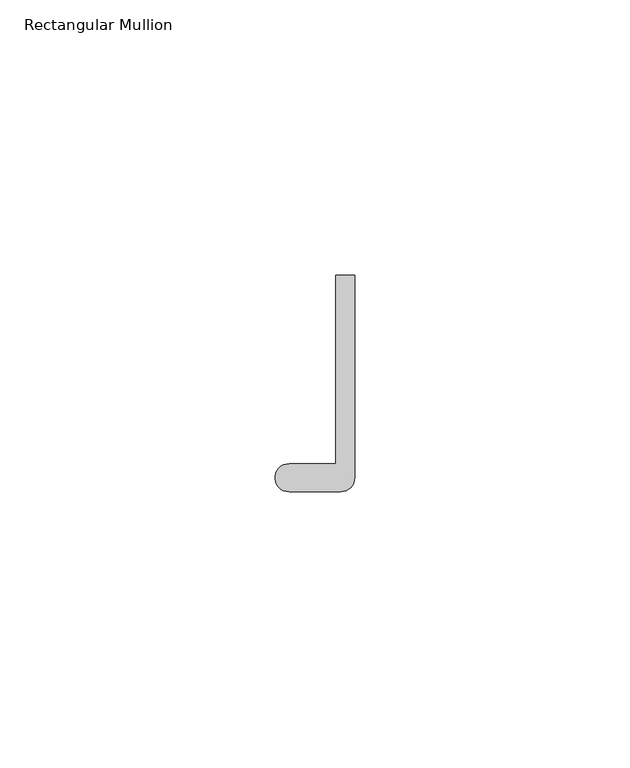
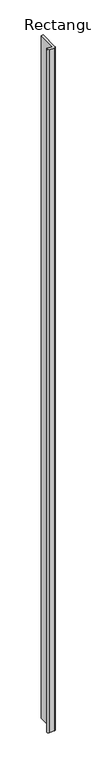
"""IFC4 building model written with IfcOpenShell, lengths in millimetres: member geometry, Rectangular Mullion."""

from ifc_helpers import new_model, si_unit, point, frame, frame_2d, origin, place, context, project, spatial, polyline, circle_curve, trimmed, segment, composite_curve, outline, extrude, source, transform, mapped, element, save


def rectangular_mullion_59d29c64(model_context):
    return source(origin(), model_context, "Body", "SweptSolid", [
        extrude(outline(composite_curve([segment(polyline([(-1.651, -33.918525), (-1.651, 0.396875), (1.778, 0.396875), (1.778, -36.458525)]), True, "CONTINUOUS"), segment(trimmed(circle_curve(frame_2d((-0.762, -36.458525)), 2.54), [point((1.778, -36.458525))], [point((-0.762, -38.998525))], False, "CARTESIAN"), True, "CONTINUOUS"), segment(polyline([(-0.762, -38.998525), (-10.16, -38.998525)]), True, "CONTINUOUS"), segment(trimmed(circle_curve(frame_2d((-10.16, -36.458525)), 2.54), [point((-10.16, -38.998525))], [point((-10.16, -33.918525))], False, "CARTESIAN"), True, "CONTINUOUS"), segment(polyline([(-10.16, -33.918525), (-1.651, -33.918525)]), True, "CONTINUOUS")], self_intersect=False)), frame((0.0, 0.0, -1285.875), z_axis=(0.0, 0.0, 1.0), x_axis=(1.0, 0.0, 0.0)), (0.0, 0.0, 1.0), 1285.875),
    ])


if __name__ == "__main__":
    model = new_model("IFC4")
    model_context = context("Model", 3, world=origin())
    ifc_project = project(units=[si_unit("LENGTHUNIT", "METRE", prefix="MILLI")], contexts=[model_context])
    site = spatial("IfcSite", under=ifc_project)
    building = spatial("IfcBuilding", under=site)
    placement = place(None, origin())
    rectangular_mullion_shape = rectangular_mullion_59d29c64(model_context)
    element("IfcMember", 1, ObjectType="Rectangular Mullion", at=placement, inside=building, context=model_context, shape_type="MappedRepresentation", body=[
        mapped(rectangular_mullion_shape, transform((0.0, 0.0, 0.0), x_axis=(1.0, 0.0, 0.0), y_axis=(0.0, 1.0, 0.0), z_axis=(0.0, 0.0, 1.0))),
    ])
    save(model, "model.ifc")
